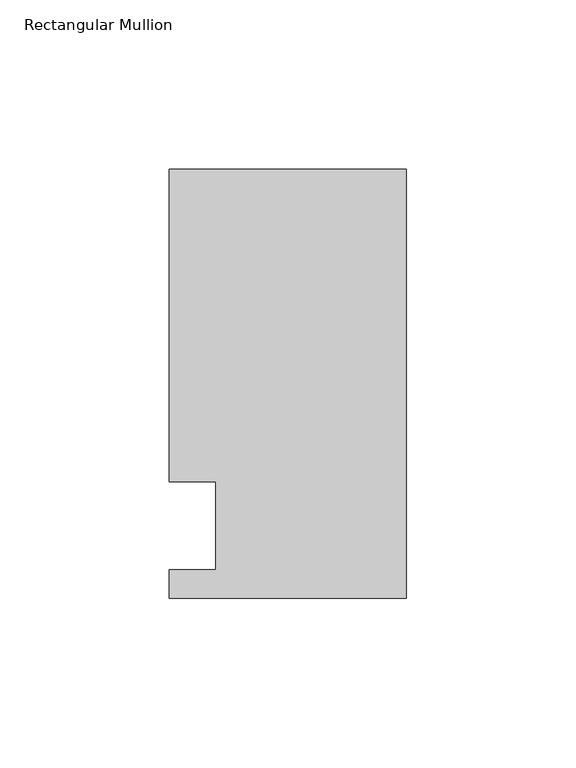
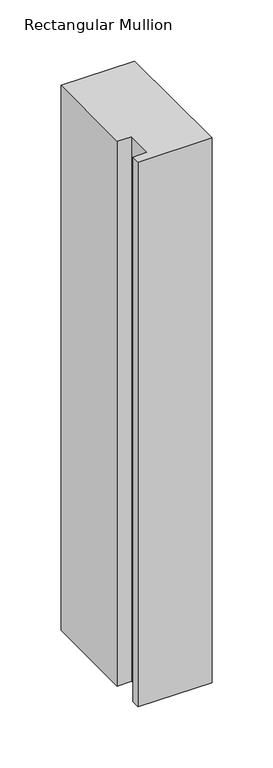
"""IFC4 building model written with IfcOpenShell, lengths in millimetres: member geometry, Rectangular Mullion."""

from ifc_helpers import new_model, si_unit, frame, origin, place, context, project, spatial, polyline, outline, extrude, source, transform, mapped, element, save


def rectangular_mullion_0e64a1b0(model_context):
    return source(origin(), model_context, "Body", "SweptSolid", [
        extrude(outline(polyline([(-69.85, -0.0111125), (-69.85, 8.3454875), (-56.2570313, 8.3454875), (-56.2570313, 34.3296875), (-69.85, 34.3296875), (-69.85, 126.4808875), (0.0, 126.4808875), (0.0, -0.0111125), (-69.85, -0.0111125)])), frame((0.0, 0.0, -545.0099167), z_axis=(0.0, 0.0, 1.0), x_axis=(1.0, 0.0, 0.0)), (0.0, 0.0, 1.0), 545.0099167),
    ])


if __name__ == "__main__":
    model = new_model("IFC4")
    model_context = context("Model", 3, world=origin())
    ifc_project = project(units=[si_unit("LENGTHUNIT", "METRE", prefix="MILLI")], contexts=[model_context])
    site = spatial("IfcSite", under=ifc_project)
    building = spatial("IfcBuilding", under=site)
    placement = place(None, origin())
    rectangular_mullion_shape = rectangular_mullion_0e64a1b0(model_context)
    element("IfcMember", 1, ObjectType="Rectangular Mullion", at=placement, inside=building, context=model_context, shape_type="MappedRepresentation", body=[
        mapped(rectangular_mullion_shape, transform((0.0, 0.0, 0.0), x_axis=(1.0, 0.0, 0.0), y_axis=(0.0, 1.0, 0.0), z_axis=(0.0, 0.0, 1.0))),
    ])
    save(model, "model.ifc")
